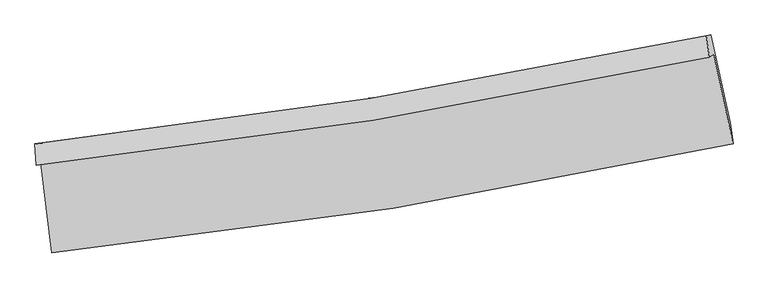
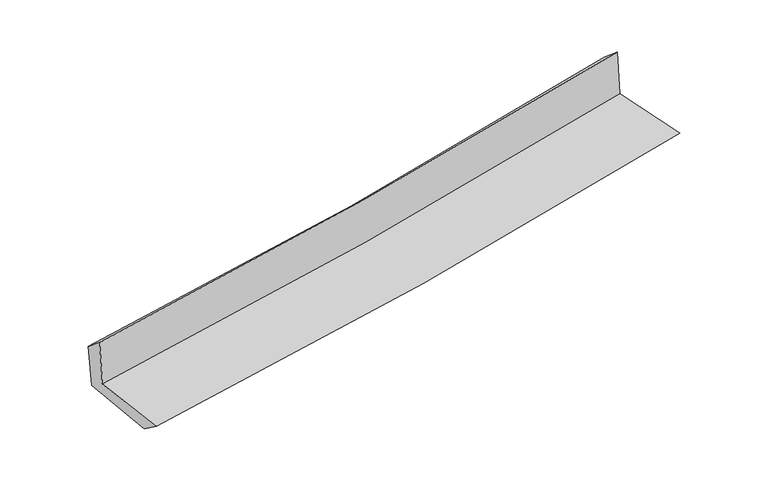
"""IFC4 building model written with IfcOpenShell, lengths in millimetres: proxy geometry."""

from ifc_helpers import new_model, si_unit, frame, origin, place, context, project, spatial, source, transform, mapped, element, save
from ifc_brep_helpers import plane_surface, spline_curve, spline_surface, advanced_brep


def generic_models_d8b67608(model_context):
    return source(origin(), model_context, "Body", "AdvancedBrep", [
        advanced_brep(
        [(-2483.5702889, -1876.1427988, 1668.4236727), (-2400.71405, -2533.5663213, 1651.537536), (2568.678286, -1738.2693468, 2102.3558094), (2427.9848562, -1085.5246324, 2114.1647148), (-2516.9161993, -1894.9601773, 2069.8283921), (2394.6493643, -1104.3361317, 2515.4440209), (-2525.1645329, -1737.306962, 1943.120231), (2373.4839503, -948.2104305, 2384.1510813), (-2492.972179, -1731.9951021, 1573.5003175), (2406.3008138, -942.9616704, 2019.5975968), (-2410.1424101, -2373.3677022, 1534.5626252), (2547.1614725, -1584.4656866, 1980.1713428)],
        [
            (0, 1),
            (1, 2, spline_curve(3, [(-2400.71405, -2533.5663213, 1651.537536), (-1566.715900531, -2448.671161647, 1731.85297528), (-736.299216709, -2340.101929517, 1809.519485169), (920.189350465, -2075.164591473, 1959.810330433), (1746.236778651, -1918.634831895, 2032.416578511), (2568.678286, -1738.2693468, 2102.3558094)], [4, 2, 4], [0.0, 8.230650271843935, 16.48935335253281])),
            (2, 3),
            (3, 0, spline_curve(3, [(2427.9848562, -1085.5246324, 2114.1647148), (1614.28836814, -1259.752887213, 2045.195240372), (797.442189767, -1412.828023629, 1973.497588848), (-839.764219528, -1676.223952312, 1824.898739217), (-1660.103089921, -1786.688204858, 1748.016043044), (-2483.5702889, -1876.1427988, 1668.4236727)], [4, 2, 4], [0.0, 8.258703080688875, 16.48935335253281])),
            (4, 0),
            (3, 5),
            (5, 4, spline_curve(3, [(2394.6493643, -1104.3361317, 2515.4440209), (1580.677623101, -1278.719714158, 2449.787932563), (763.693181245, -1431.872873648, 2379.754642501), (-873.515771879, -1695.27023805, 2231.18641347), (-1693.719851344, -1805.658426862, 2152.681160466), (-2516.9161993, -1894.9601773, 2069.8283921)], [4, 2, 4], [0.0, 8.210641582618184, 16.393393609629253])),
            (6, 4),
            (5, 7),
            (7, 6, spline_curve(3, [(2373.4839503, -948.2104305, 2384.1510813), (1562.605239838, -1121.872115239, 2308.007500702), (748.244771498, -1274.537213917, 2233.122751397), (-884.661669258, -1537.426992721, 2086.121005566), (-1703.184028715, -1647.794071247, 2013.995471245), (-2525.1645329, -1737.306962, 1943.120231)], [4, 2, 4], [0.0, 8.199588903896343, 16.37132579545119])),
            (8, 6),
            (7, 9),
            (9, 8, spline_curve(3, [(2406.3008138, -942.9616704, 2019.5975968), (1594.870482716, -1116.637665264, 1947.58507045), (780.182453392, -1269.30463066, 1874.338694269), (-852.930637785, -1532.173291704, 1725.631233373), (-1671.333606108, -1642.517470466, 1650.178516443), (-2492.972179, -1731.9951021, 1573.5003175)], [4, 2, 4], [0.0, 8.189445632022858, 16.35107370593561])),
            (10, 8),
            (9, 11),
            (11, 10, spline_curve(3, [(2547.1614725, -1584.4656866, 1980.1713428), (1726.46996133, -1761.905280941, 1909.704213269), (902.306844143, -1916.439856076, 1837.270072981), (-750.15132777, -2179.251853089, 1688.720493661), (-1578.422838242, -2287.684616868, 1612.618394702), (-2410.1424101, -2373.3677022, 1534.5626252)], [4, 2, 4], [0.0, 8.237431861475157, 16.4468831672716])),
            (1, 10),
            (11, 2),
        ],
        [
            spline_surface(3, 3, [[(-2483.5702889, -1876.1427988, 1668.4236727), (-1660.103089842, -1786.688204792, 1748.016043128), (-839.764219631, -1676.223952395, 1824.898739138), (797.44218987, -1412.828023546, 1973.497588927), (1614.288368003, -1259.752887139, 2045.195240301), (2427.9848562, -1085.5246324, 2114.1647148)], [(-2455.951542606, -2095.283972946, 1662.79496045), (-1628.974026758, -2007.349190392, 1742.628353837), (-805.275885346, -1897.516611473, 1819.772321089), (838.357910083, -1633.606879517, 1968.935169441), (1658.271171563, -1479.380202064, 2040.935686397), (2474.882666133, -1303.106203846, 2110.228413023)], [(-2428.332796294, -2314.425147154, 1657.16624825), (-1597.844963655, -2228.010176052, 1737.240664597), (-770.78755105, -2118.809270502, 1814.645903111), (879.273630308, -1854.385735439, 1964.372750026), (1702.253975123, -1699.007517053, 2036.676132426), (2521.780476067, -1520.687775354, 2106.292111177)], [(-2400.71405, -2533.5663213, 1651.537536), (-1566.715900571, -2448.671161651, 1731.852975306), (-736.299216765, -2340.10192958, 1809.519485062), (920.189350522, -2075.16459141, 1959.81033054), (1746.236778683, -1918.634831978, 2032.416578523), (2568.678286, -1738.2693468, 2102.3558094)]], [4, 4], [4, 2, 4], [0.0, 2.2074940148945426], [0.0, 8.230650271843935, 16.48935335253281]),
            spline_surface(3, 3, [[(-2516.9161993, -1894.9601773, 2069.8283921), (-1693.719851423, -1805.658426896, 2152.681160557), (-873.515771948, -1695.270238007, 2231.186413487), (763.693181315, -1431.872873692, 2379.754642483), (1580.677623041, -1278.719714062, 2449.787932517), (2394.6493643, -1104.3361317, 2515.4440209)], [(-2505.800895841, -1888.6877178, 1936.026818955), (-1682.514264237, -1799.335019528, 2017.792788068), (-862.265254519, -1688.921476124, 2095.757188719), (774.942850823, -1425.524590297, 2244.335624646), (1591.881204699, -1272.397438431, 2314.923701773), (2405.761194937, -1098.065631943, 2381.684252195)], [(-2494.685592359, -1882.4152583, 1802.225245845), (-1671.308677028, -1793.01161216, 1882.904415616), (-851.01473706, -1682.572714278, 1960.327963906), (786.192520361, -1419.17630694, 2108.916606764), (1603.084786346, -1266.07516277, 2180.059471045), (2416.873025563, -1091.795132157, 2247.924483505)], [(-2483.5702889, -1876.1427988, 1668.4236727), (-1660.103089842, -1786.688204792, 1748.016043128), (-839.764219631, -1676.223952395, 1824.898739138), (797.44218987, -1412.828023546, 1973.497588927), (1614.288368003, -1259.752887139, 2045.195240301), (2427.9848562, -1085.5246324, 2114.1647148)]], [4, 4], [4, 2, 4], [0.0, 1.3389645604861162], [0.0, 8.18275202701107, 16.393393609629253]),
            spline_surface(3, 3, [[(-2525.1645329, -1737.306962, 1943.120231), (-1703.184028761, -1647.794071247, 2013.99547118), (-884.661669348, -1537.426992724, 2086.121005451), (748.244771588, -1274.537213914, 2233.122751512), (1562.605239902, -1121.87211526, 2308.007500689), (2373.4839503, -948.2104305, 2384.1510813)], [(-2522.415088345, -1789.858033769, 1985.356284707), (-1700.02930296, -1700.415523133, 2060.224034313), (-880.946370207, -1590.041407837, 2134.476141456), (753.394241505, -1326.982433858, 2282.000048496), (1568.629367633, -1174.154648184, 2355.267644629), (2380.539088318, -1000.25233089, 2427.915394498)], [(-2519.665643855, -1842.409105531, 2027.592338393), (-1696.874577224, -1753.036975011, 2106.452597424), (-877.231071089, -1642.655822894, 2182.831277482), (758.543711398, -1379.427653747, 2330.8773455), (1574.65349531, -1226.437181138, 2402.527788576), (2387.594226282, -1052.29423131, 2471.679707702)], [(-2516.9161993, -1894.9601773, 2069.8283921), (-1693.719851423, -1805.658426896, 2152.681160557), (-873.515771948, -1695.270238007, 2231.186413487), (763.693181315, -1431.872873692, 2379.754642483), (1580.677623041, -1278.719714062, 2449.787932517), (2394.6493643, -1104.3361317, 2515.4440209)]], [4, 4], [4, 2, 4], [0.0, 0.7058287930027959], [0.0, 8.171736891554849, 16.37132579545119]),
            spline_surface(3, 3, [[(-2492.972179, -1731.9951021, 1573.5003175), (-1671.333606239, -1642.517470408, 1650.178516416), (-852.930637801, -1532.173291754, 1725.631233295), (780.182453408, -1269.30463061, 1874.338694347), (1594.870482613, -1116.637665338, 1947.585070547), (2406.3008138, -942.9616704, 2019.5975968)], [(-2503.702963659, -1733.765722083, 1696.706955342), (-1681.950413772, -1644.27633737, 1771.45083468), (-863.507648329, -1533.924525395, 1845.794490677), (769.536559456, -1271.048825029, 1993.933380065), (1584.115401709, -1118.382481987, 2067.725880587), (2395.3618593, -944.711257108, 2141.115424959)], [(-2514.433748241, -1735.536342017, 1819.913593158), (-1692.567221229, -1646.035204285, 1892.723152917), (-874.08465882, -1535.675759083, 1965.957748069), (758.890665541, -1272.793019495, 2113.528065794), (1573.360320806, -1120.127298611, 2187.866690649), (2384.4229048, -946.460843792, 2262.633253141)], [(-2525.1645329, -1737.306962, 1943.120231), (-1703.184028761, -1647.794071247, 2013.99547118), (-884.661669348, -1537.426992724, 2086.121005451), (748.244771588, -1274.537213914, 2233.122751512), (1562.605239902, -1121.87211526, 2308.007500689), (2373.4839503, -948.2104305, 2384.1510813)]], [4, 4], [4, 2, 4], [0.0, 1.1846402684348576], [0.0, 8.161628073912754, 16.35107370593561]),
            spline_surface(3, 3, [[(-2410.1424101, -2373.3677022, 1534.5626252), (-1578.422838168, -2287.68461677, 1612.618394641), (-750.15132775, -2179.251853201, 1688.720493623), (902.306844123, -1916.439855964, 1837.270073019), (1726.469961257, -1761.905281009, 1909.704213286), (2547.1614725, -1584.4656866, 1980.1713428)], [(-2437.75233305, -2159.576835482, 1547.541855947), (-1609.393094175, -2072.628901298, 1625.138435213), (-784.411097744, -1963.558999394, 1701.024073529), (861.598713908, -1700.728114187, 1849.626280144), (1682.60346838, -1546.816075786, 1922.331165721), (2500.207919604, -1370.631014534, 1993.313427481)], [(-2465.36225605, -1945.785968818, 1560.521086753), (-1640.363350232, -1857.573185879, 1637.658475844), (-818.670867807, -1747.866145562, 1713.327653389), (820.890583623, -1485.016372386, 1861.982487222), (1638.73697549, -1331.726870561, 1934.958118112), (2453.254366696, -1156.796342466, 2006.455512119)], [(-2492.972179, -1731.9951021, 1573.5003175), (-1671.333606239, -1642.517470408, 1650.178516416), (-852.930637801, -1532.173291754, 1725.631233295), (780.182453408, -1269.30463061, 1874.338694347), (1594.870482613, -1116.637665338, 1947.585070547), (2406.3008138, -942.9616704, 2019.5975968)]], [4, 4], [4, 2, 4], [0.0, 2.1583052389430852], [0.0, 8.209451305796444, 16.4468831672716]),
            spline_surface(3, 3, [[(-2400.71405, -2533.5663213, 1651.537536), (-1566.715900571, -2448.671161651, 1731.852975306), (-736.299216765, -2340.10192958, 1809.519485062), (920.189350522, -2075.16459141, 1959.81033054), (1746.236778683, -1918.634831978, 2032.416578523), (2568.678286, -1738.2693468, 2102.3558094)], [(-2403.856836699, -2480.166781619, 1612.545899099), (-1570.618213103, -2395.008980044, 1692.108115117), (-740.916587099, -2286.485237439, 1769.253154586), (914.22851505, -2022.256346246, 1918.963578037), (1739.647839516, -1866.391648335, 1991.512456755), (2561.506014808, -1687.00146008, 2061.627653845)], [(-2406.999623401, -2426.767241881, 1573.554262101), (-1574.520525636, -2341.346798378, 1652.36325483), (-745.533957416, -2232.868545343, 1728.9868241), (908.267679595, -1969.348101128, 1878.116825523), (1733.058900424, -1814.148464653, 1950.608335054), (2554.333743692, -1635.73357332, 2020.899498355)], [(-2410.1424101, -2373.3677022, 1534.5626252), (-1578.422838168, -2287.68461677, 1612.618394641), (-750.15132775, -2179.251853201, 1688.720493623), (902.306844123, -1916.439855964, 1837.270073019), (1726.469961257, -1761.905281009, 1909.704213286), (2547.1614725, -1584.4656866, 1980.1713428)]], [4, 4], [4, 2, 4], [0.0, 0.660965589578171], [0.0, 8.267515821715905, 16.563210102400298]),
            plane_surface(frame((2453.0431238, -1233.9613164, 2185.980761), z_axis=(0.9738607465773619, 0.2082669573617851, 0.09066488155315629), x_axis=(-0.08964758865619948, -0.014338319951255644, 0.9958703341445132))),
            plane_surface(frame((-2471.5799434, -2024.5565106, 1740.1621291), z_axis=(-0.9885920038543503, -0.12233726094417102, -0.08786036933634042), x_axis=(-0.1250019942073204, 0.9918293716164518, 0.025475459625047603))),
        ],
        [
            (0, [[1, 2, 3, 4]]),
            (1, [[5, -4, 6, 7]]),
            (2, [[8, -7, 9, 10]]),
            (3, [[11, -10, 12, 13]]),
            (4, [[14, -13, 15, 16]]),
            (5, [[17, -16, 18, -2]]),
            (6, [[-12, -9, -6, -3, -18, -15]]),
            (7, [[-1, -5, -8, -11, -14, -17]]),
        ],
    ),
    ])


if __name__ == "__main__":
    model = new_model("IFC4")
    model_context = context("Model", 3, world=origin())
    ifc_project = project(units=[si_unit("LENGTHUNIT", "METRE", prefix="MILLI")], contexts=[model_context])
    site = spatial("IfcSite", under=ifc_project)
    building = spatial("IfcBuilding", under=site)
    placement = place(None, origin())
    generic_models_shape = generic_models_d8b67608(model_context)
    element("IfcBuildingElementProxy", 1, Name="Generic Models", at=placement, inside=building, context=model_context, shape_type="MappedRepresentation", body=[
        mapped(generic_models_shape, transform((0.0, 0.0, 0.0), x_axis=(1.0, 0.0, 0.0), y_axis=(0.0, 1.0, 0.0), z_axis=(0.0, 0.0, 1.0))),
    ])
    save(model, "model.ifc")
